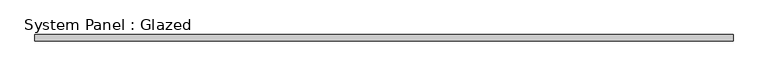
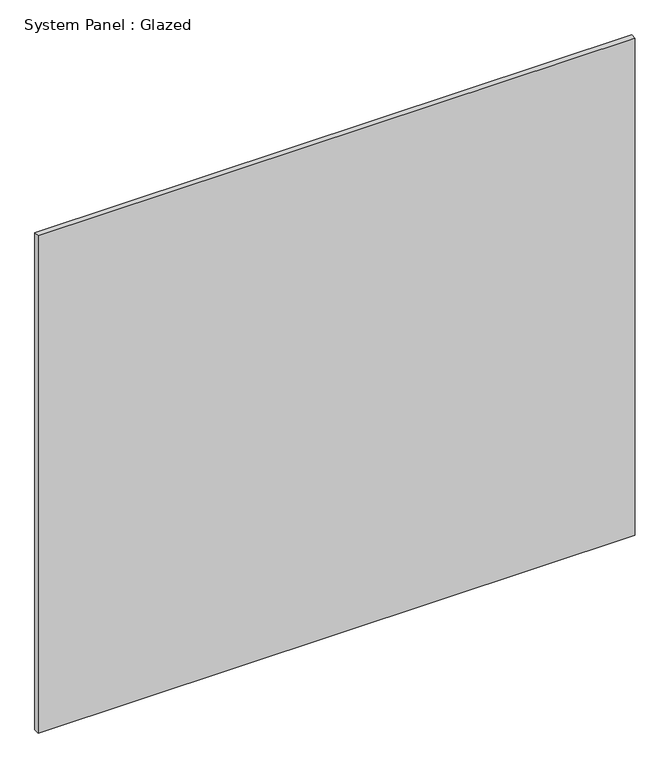
"""IFC4 building model written with IfcOpenShell, lengths in millimetres: plate geometry, System Panel : Glazed."""

from ifc_helpers import new_model, si_unit, origin, origin_with_axes, place, context, project, spatial, polyline, outline, extrude, source, transform, mapped, element, save


def system_panel_glazed_e52743c5(model_context):
    return source(origin(), model_context, "Body", "SweptSolid", [
        extrude(outline(polyline([(1349.375, 19.05), (-1349.375, 19.05), (-1349.375, 44.45), (1349.375, 44.45), (1349.375, 19.05)])), origin_with_axes(), (0.0, 0.0, 1.0), 2374.9),
    ])


if __name__ == "__main__":
    model = new_model("IFC4")
    model_context = context("Model", 3, world=origin())
    ifc_project = project(units=[si_unit("LENGTHUNIT", "METRE", prefix="MILLI")], contexts=[model_context])
    site = spatial("IfcSite", under=ifc_project)
    building = spatial("IfcBuilding", under=site)
    placement = place(None, origin())
    system_panel_glazed_shape = system_panel_glazed_e52743c5(model_context)
    element("IfcPlate", 1, ObjectType="System Panel : Glazed", at=placement, inside=building, context=model_context, shape_type="MappedRepresentation", body=[
        mapped(system_panel_glazed_shape, transform((0.0, 0.0, 0.0), x_axis=(1.0, 0.0, 0.0), y_axis=(0.0, 1.0, 0.0), z_axis=(0.0, 0.0, 1.0))),
    ])
    save(model, "model.ifc")
